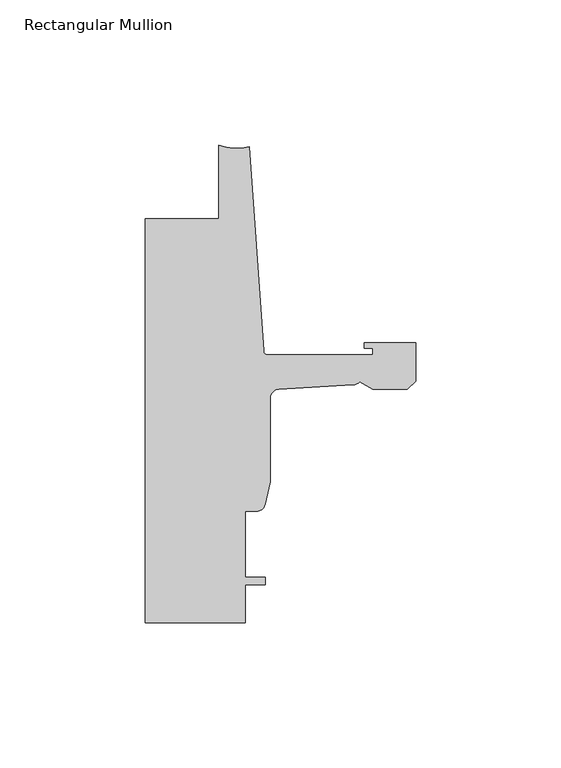
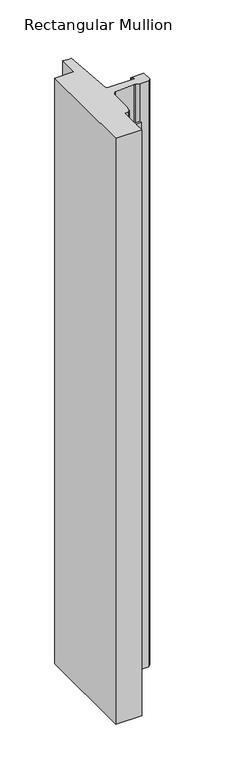
"""IFC4 building model written with IfcOpenShell, lengths in millimetres: member geometry, Rectangular Mullion."""

from ifc_helpers import new_model, si_unit, point, frame, frame_2d, origin, place, context, project, spatial, polyline, circle_curve, trimmed, segment, composite_curve, outline, extrude, source, transform, mapped, element, save


def rectangular_mullion_41ad6c57(model_context):
    return source(origin(), model_context, "Body", "SweptSolid", [
        extrude(outline(composite_curve([segment(polyline([(-93.2286109, -44.45), (-67.8287241, -44.45), (-67.8287241, -19.0495475)]), True, "CONTINUOUS"), segment(trimmed(circle_curve(frame_2d((-61.5737839, -3.5164675)), 16.7451739), [point((-67.8287241, -19.0495475))], [point((-57.2987656, -19.7067445))], True, "CARTESIAN"), True, "CONTINUOUS"), segment(polyline([(-57.2987656, -19.7067445), (-52.3871825, -89.9456563)]), True, "CONTINUOUS"), segment(trimmed(circle_curve(frame_2d((-50.8668948, -89.8393475)), 1.524), [point((-52.3871825, -89.9456563))], [point((-50.8668948, -91.3633475))], True, "CARTESIAN"), True, "CONTINUOUS"), segment(polyline([(-50.8668948, -91.3633475), (-14.783487, -91.3633475), (-14.783487, -89.0265474), (-17.6377748, -89.0265474), (-17.6377748, -87.2485474), (0.0, -87.2485474), (0.0, -100.4050602), (-2.845487, -103.2505472), (-14.7368542, -103.2505472), (-19.2689815, -100.6339223)]), True, "CONTINUOUS"), segment(trimmed(circle_curve(frame_2d((-21.6202542, -98.5003474)), 3.175), [point((-19.2689815, -100.6339223))], [point((-21.6202542, -101.6753474))], False, "CARTESIAN"), True, "CONTINUOUS"), segment(polyline([(-21.6202542, -101.6753474), (-47.0897067, -103.1933707)]), True, "CONTINUOUS"), segment(trimmed(circle_curve(frame_2d((-46.9265, -106.3641732)), 3.175), [point((-47.0897067, -103.1933707))], [point((-50.1015, -106.3641732))], True, "CARTESIAN"), True, "CONTINUOUS"), segment(polyline([(-50.1015, -106.3641732), (-50.1015, -135.0756605), (-51.8795003, -142.6577484)]), True, "CONTINUOUS"), segment(trimmed(circle_curve(frame_2d((-54.4195002, -142.6577484)), 2.5399999), [point((-51.8795003, -142.6577484))], [point((-54.4195002, -145.1977483))], False, "CARTESIAN"), True, "CONTINUOUS"), segment(polyline([(-54.4195002, -145.1977483), (-58.7375, -145.1977483), (-58.7375, -168.0577483), (-51.8795003, -168.0577483), (-51.8795003, -170.5977483), (-58.7375, -170.5977483), (-58.7375, -183.6415475), (-93.2286109, -183.6415475), (-93.2286109, -44.45)]), True, "CONTINUOUS")], self_intersect=False)), frame((0.0, 0.0, -819.150004), z_axis=(0.0, 0.0, 1.0), x_axis=(1.0, 0.0, 0.0)), (0.0, 0.0, 1.0), 819.150004),
    ])


if __name__ == "__main__":
    model = new_model("IFC4")
    model_context = context("Model", 3, world=origin())
    ifc_project = project(units=[si_unit("LENGTHUNIT", "METRE", prefix="MILLI")], contexts=[model_context])
    site = spatial("IfcSite", under=ifc_project)
    building = spatial("IfcBuilding", under=site)
    placement = place(None, origin())
    rectangular_mullion_shape = rectangular_mullion_41ad6c57(model_context)
    element("IfcMember", 1, ObjectType="Rectangular Mullion", at=placement, inside=building, context=model_context, shape_type="MappedRepresentation", body=[
        mapped(rectangular_mullion_shape, transform((0.0, 0.0, 0.0), x_axis=(1.0, 0.0, 0.0), y_axis=(0.0, 1.0, 0.0), z_axis=(0.0, 0.0, 1.0))),
    ])
    save(model, "model.ifc")
